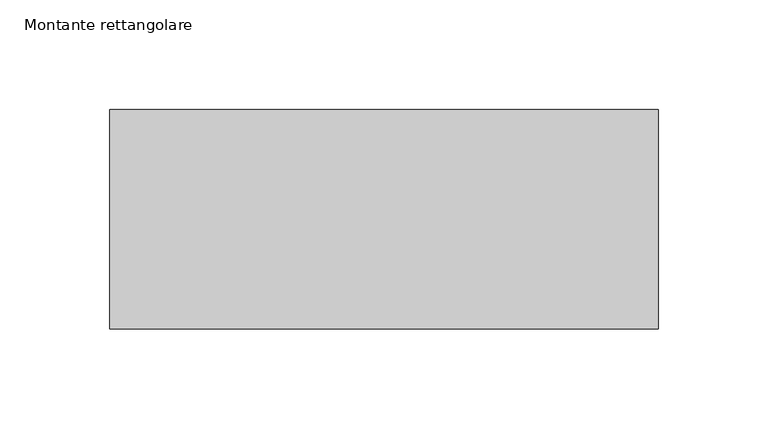
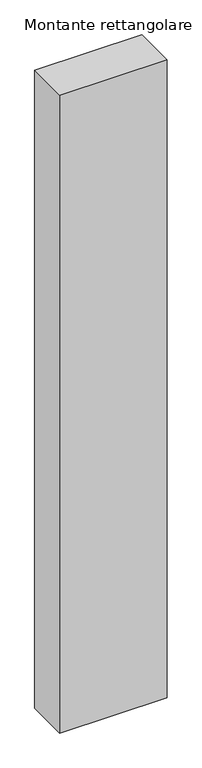
"""IFC4 building model written with IfcOpenShell, lengths in millimetres: member geometry, Montante rettangolare."""

from ifc_helpers import new_model, si_unit, frame, origin, place, context, project, spatial, polyline, outline, extrude, source, transform, mapped, element, save


def montante_rettangolare_a7c60045(model_context):
    return source(origin(), model_context, "Body", "SweptSolid", [
        extrude(outline(polyline([(125.0, 50.0), (125.0, -50.0), (-125.0, -50.0), (-125.0, 50.0), (125.0, 50.0)])), frame((0.0, 0.0, -1569.1528073), z_axis=(0.0, 0.0, 1.0), x_axis=(1.0, 0.0, 0.0)), (0.0, 0.0, 1.0), 1569.1528073),
    ])


if __name__ == "__main__":
    model = new_model("IFC4")
    model_context = context("Model", 3, world=origin())
    ifc_project = project(units=[si_unit("LENGTHUNIT", "METRE", prefix="MILLI")], contexts=[model_context])
    site = spatial("IfcSite", under=ifc_project)
    building = spatial("IfcBuilding", under=site)
    placement = place(None, origin())
    montante_rettangolare_shape = montante_rettangolare_a7c60045(model_context)
    element("IfcMember", 1, ObjectType="Montante rettangolare", at=placement, inside=building, context=model_context, shape_type="MappedRepresentation", body=[
        mapped(montante_rettangolare_shape, transform((0.0, 0.0, 0.0), x_axis=(1.0, 0.0, 0.0), y_axis=(0.0, 1.0, 0.0), z_axis=(0.0, 0.0, 1.0))),
    ])
    save(model, "model.ifc")
